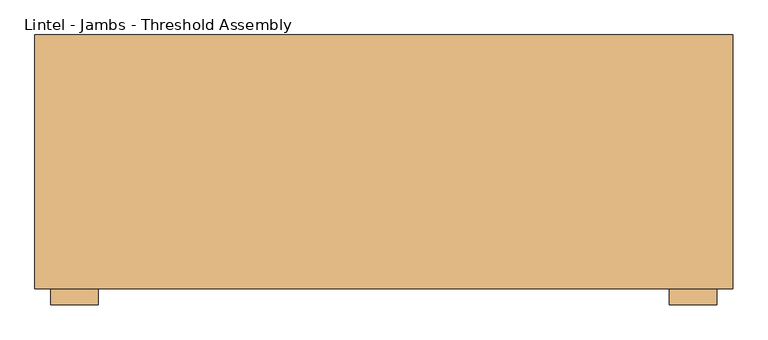
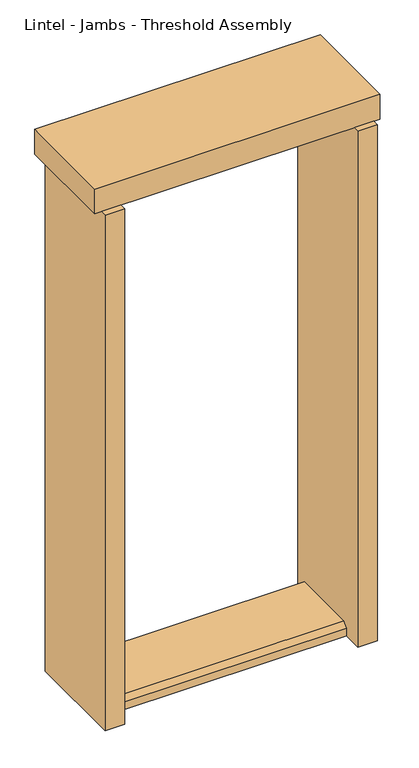
"""IFC4 building model written with IfcOpenShell, lengths in millimetres: door geometry, Lintel - Jambs - Threshold Assembly."""

from ifc_helpers import new_model, si_unit, frame, origin, origin_with_axes, place, context, project, spatial, polyline, outline, extrude, source, transform, mapped, element, save


def lintel_jambs_threshold_assembly_059e592a(model_context):
    return source(origin(), model_context, "Body", "SweptSolid", [
        extrude(outline(polyline([(-541.5886567, 188.9125), (-465.3886567, 188.9125), (-465.3886567, -217.4875), (-541.5886567, -217.4875), (-541.5886567, 188.9125)])), origin_with_axes(), (0.0, 0.0, 1.0), 2133.6),
        extrude(outline(polyline([(449.0113433, 188.9125), (525.2113433, 188.9125), (525.2113433, -217.4875), (449.0113433, -217.4875), (449.0113433, 188.9125)])), origin_with_axes(), (0.0, 0.0, 1.0), 2133.6),
        extrude(outline(polyline([(-566.9886567, -192.0875), (-566.9886567, 214.3125), (550.6113433, 214.3125), (550.6113433, -192.0875), (-566.9886567, -192.0875)])), frame((0.0, 0.0, 2133.6), z_axis=(0.0, 0.0, 1.0), x_axis=(1.0, 0.0, 0.0)), (0.0, 0.0, 1.0), 101.6),
        extrude(outline(polyline([(-141.2875, 0.0), (-141.2875, 31.75), (-122.2375, 50.8), (144.4625, 50.8), (163.5125, 31.75), (163.5125, 0.0), (-141.2875, 0.0)])), frame((-465.3886567, 0.0, 0.0), z_axis=(1.0, 0.0, 0.0), x_axis=(0.0, 1.0, 0.0)), (0.0, 0.0, 1.0), 914.4),
    ])


if __name__ == "__main__":
    model = new_model("IFC4")
    model_context = context("Model", 3, world=origin())
    ifc_project = project(units=[si_unit("LENGTHUNIT", "METRE", prefix="MILLI")], contexts=[model_context])
    site = spatial("IfcSite", under=ifc_project)
    building = spatial("IfcBuilding", under=site)
    placement = place(None, origin())
    lintel_jambs_threshold_assembly_shape = lintel_jambs_threshold_assembly_059e592a(model_context)
    element("IfcDoor", 1, ObjectType="Lintel - Jambs - Threshold Assembly", at=placement, inside=building, context=model_context, shape_type="MappedRepresentation", body=[
        mapped(lintel_jambs_threshold_assembly_shape, transform((0.0, 0.0, 0.0), x_axis=(1.0, 0.0, 0.0), y_axis=(0.0, 1.0, 0.0), z_axis=(0.0, 0.0, 1.0))),
    ])
    save(model, "model.ifc")
